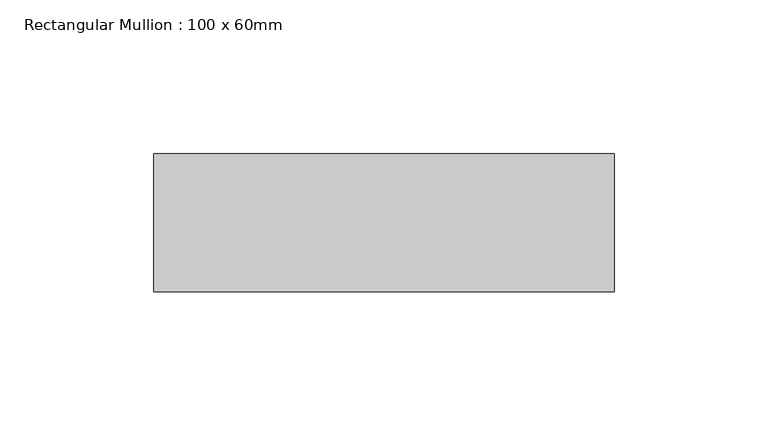
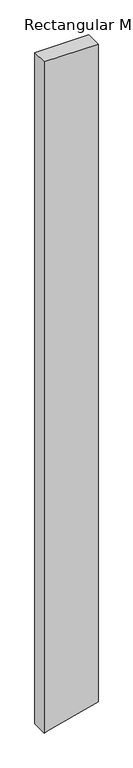
"""IFC4 building model written with IfcOpenShell, lengths in millimetres: member geometry, Rectangular Mullion : 100 x 60mm."""

from ifc_helpers import new_model, si_unit, frame, origin, place, context, project, spatial, polyline, outline, extrude, source, transform, mapped, element, save


def rectangular_mullion_100_x_60mm_0a298e3c(model_context):
    return source(origin(), model_context, "Body", "SweptSolid", [
        extrude(outline(polyline([(0.0, 75.0), (0.0, -75.0), (-1977.6161324, -75.0), (-1974.8575315, -64.7047613), (-1937.4237535, 75.0), (0.0, 75.0)])), frame((0.0, -15.0, 0.0), z_axis=(0.0, 1.0, 0.0), x_axis=(0.0, 0.0, 1.0)), (0.0, 0.0, 1.0), 45.0),
    ])


if __name__ == "__main__":
    model = new_model("IFC4")
    model_context = context("Model", 3, world=origin())
    ifc_project = project(units=[si_unit("LENGTHUNIT", "METRE", prefix="MILLI")], contexts=[model_context])
    site = spatial("IfcSite", under=ifc_project)
    building = spatial("IfcBuilding", under=site)
    placement = place(None, origin())
    rectangular_mullion_100_x_60mm_shape = rectangular_mullion_100_x_60mm_0a298e3c(model_context)
    element("IfcMember", 1, ObjectType="Rectangular Mullion : 100 x 60mm", at=placement, inside=building, context=model_context, shape_type="MappedRepresentation", body=[
        mapped(rectangular_mullion_100_x_60mm_shape, transform((0.0, 0.0, 0.0), x_axis=(1.0, 0.0, 0.0), y_axis=(0.0, 1.0, 0.0), z_axis=(0.0, 0.0, 1.0))),
    ])
    save(model, "model.ifc")
